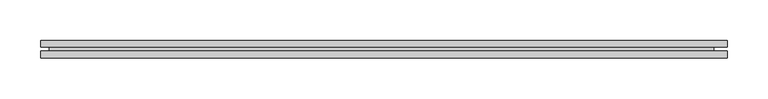
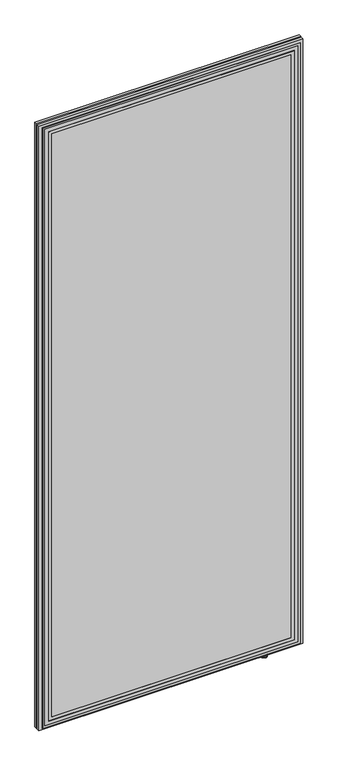
"""IFC4 building model written with IfcOpenShell, lengths in millimetres: furniture geometry."""

import ifcopenshell
import ifcopenshell.guid

model = None  # the IFC model being written
_history = None  # IfcOwnerHistory: only IFC2X3 demands one
_inside = {}  # id of a spatial element -> (the spatial element, [elements in it])
_under = {}  # id of a project, library or spatial element -> (it, [spatial elements below it])
_declared = {}  # id of a project -> (the project, [libraries it declares])
_typed = {}  # id of a type object -> (the type object, [elements of that type])
_made_of = {}  # id of a material, layer set ... -> (it, [elements and type objects made of it])


def new_model(schema):
    """Start an empty IFC model of exactly this schema.

    Asked for "IFC4X3", IfcOpenShell would pick the latest addendum, in which some entities
    have other attributes; the version numbers below select the first issue.
    IFC2X3 requires an IfcOwnerHistory on every rooted entity: one is made here for all.
    """
    global model, _history
    if schema == "IFC4X3":
        model = ifcopenshell.file(schema_version=(4, 3, 0, 0))
    else:
        model = ifcopenshell.file(schema=schema)
    _inside.clear()
    _under.clear()
    _declared.clear()
    _typed.clear()
    _made_of.clear()
    _history = None
    if model.schema == "IFC2X3":
        org = make("IfcOrganization", Name="unknown")
        user = make(
            "IfcPersonAndOrganization",
            ThePerson=make("IfcPerson", FamilyName="unknown"),
            TheOrganization=org,
        )
        app = make(
            "IfcApplication",
            ApplicationDeveloper=org,
            Version="unknown",
            ApplicationFullName="unknown",
            ApplicationIdentifier="unknown",
        )
        _history = make(
            "IfcOwnerHistory",
            OwningUser=user,
            OwningApplication=app,
            ChangeAction="ADDED",
            CreationDate=0,
        )
    return model


def make(cls, **values):
    """One entity of the class cls with the attributes given. An attribute that is None is left unset."""
    return model.create_entity(
        cls, **{name: value for name, value in values.items() if value is not None}
    )


def rooted(cls, **values):
    """An entity with a GlobalId (a new one), such as an element, a storey or a relation."""
    return make(cls, GlobalId=ifcopenshell.guid.new(), OwnerHistory=_history, **values)


def si_unit(unit_type, name, prefix=None):
    """IfcSIUnit, for example si_unit("LENGTHUNIT", "METRE", prefix="MILLI")."""
    return make("IfcSIUnit", UnitType=unit_type, Prefix=prefix, Name=name)


def assignment(units):
    """IfcUnitAssignment: the units of a project."""
    return None if units is None else make("IfcUnitAssignment", Units=units)


def point(xyz):
    """IfcCartesianPoint."""
    return None if xyz is None else make("IfcCartesianPoint", Coordinates=xyz)


def direction(xyz):
    """IfcDirection."""
    return None if xyz is None else make("IfcDirection", DirectionRatios=xyz)


def frame(location, z_axis=None, x_axis=None):
    """IfcAxis2Placement3D, a coordinate frame: its origin and axes. An axis left out is left unset."""
    return make(
        "IfcAxis2Placement3D",
        Location=point(location),
        Axis=direction(z_axis),
        RefDirection=direction(x_axis),
    )


def origin():
    """The frame at (0, 0, 0) with its axes left unset."""
    return frame((0.0, 0.0, 0.0))


def place(relative_to, where):
    """IfcLocalPlacement: puts the frame where relative to a parent placement (None: the world)."""
    return make(
        "IfcLocalPlacement", PlacementRelTo=relative_to, RelativePlacement=where
    )


def context(
    kind, dimensions, precision=None, world=None, true_north=None, identifier=None
):
    """IfcGeometricRepresentationContext, for example the 3D "Model" context."""
    return make(
        "IfcGeometricRepresentationContext",
        ContextIdentifier=identifier,
        ContextType=kind,
        CoordinateSpaceDimension=dimensions,
        Precision=precision,
        WorldCoordinateSystem=world,
        TrueNorth=true_north,
    )


def project(units=None, contexts=None):
    """IfcProject with its units and contexts."""
    return rooted(
        "IfcProject",
        Name="project",
        RepresentationContexts=contexts,
        UnitsInContext=assignment(units),
    )


def spatial(cls, under=None, at=None, **own):
    """A site, building, storey or space (cls), placed at a placement, below another one or the project."""
    s = rooted(cls, ObjectPlacement=at, **own)
    if under is not None:
        _under.setdefault(under.id(), (under, []))[1].append(s)
    return s


def polyline(points):
    """IfcPolyline through the points."""
    return make("IfcPolyline", Points=[point(p) for p in points])


def circle_curve(where, radius):
    """IfcCircle in the frame where."""
    return make("IfcCircle", Position=where, Radius=radius)


def ellipse_curve(where, semi_axis1, semi_axis2):
    """IfcEllipse in the frame where."""
    return make(
        "IfcEllipse", Position=where, SemiAxis1=semi_axis1, SemiAxis2=semi_axis2
    )


def trimmed(basis, trim1, trim2, sense, master):
    """IfcTrimmedCurve: the piece of a basis curve between two trims."""
    return make(
        "IfcTrimmedCurve",
        BasisCurve=basis,
        Trim1=trim1,
        Trim2=trim2,
        SenseAgreement=sense,
        MasterRepresentation=master,
    )


def outline(outer, holes=None, kind="AREA"):
    """IfcArbitraryClosedProfileDef: a profile drawn as a closed curve; with holes, ...WithVoids."""
    if holes is None:
        return make("IfcArbitraryClosedProfileDef", ProfileType=kind, OuterCurve=outer)
    return make(
        "IfcArbitraryProfileDefWithVoids",
        ProfileType=kind,
        OuterCurve=outer,
        InnerCurves=holes,
    )


def extrude(swept, where, along, depth):
    """IfcExtrudedAreaSolid: the profile swept, set in the frame where, extruded along a direction by depth."""
    return make(
        "IfcExtrudedAreaSolid",
        SweptArea=swept,
        Position=where,
        ExtrudedDirection=direction(along),
        Depth=depth,
    )


def faces_of(points, faces, orient=None, outer=None):
    """IfcFace entities. A face is a list of loops; a loop is a list of indices into points, from 0.

    orient and outer hold one flag for each loop. By default every Orientation is true, the
    first loop of a face is its IfcFaceOuterBound and the others are IfcFaceBound.
    """
    made = []
    for i, loops in enumerate(faces):
        bounds = []
        for j, loop in enumerate(loops):
            is_outer = j == 0 if outer is None else outer[i][j]
            bounds.append(
                make(
                    "IfcFaceOuterBound" if is_outer else "IfcFaceBound",
                    Bound=make("IfcPolyLoop", Polygon=[points[k] for k in loop]),
                    Orientation=True if orient is None else orient[i][j],
                )
            )
        made.append(make("IfcFace", Bounds=bounds))
    return made


def faceted_brep(points, faces, orient=None, outer=None, voids=None):
    """IfcFacetedBrep: a solid bounded by flat faces; with voids (closed shells), ...WithVoids."""
    shared = [point(p) for p in points]
    hull = make("IfcClosedShell", CfsFaces=faces_of(shared, faces, orient, outer))
    if voids is None:
        return make("IfcFacetedBrep", Outer=hull)
    return make(
        "IfcFacetedBrepWithVoids",
        Outer=hull,
        Voids=[
            make(cls, CfsFaces=faces_of(shared, fs, o, b)) for cls, fs, o, b in voids
        ],
    )


def shape(context_of_items, identifier, shape_type, items):
    """IfcShapeRepresentation: the items that make up one representation, for example the "Body"."""
    return make(
        "IfcShapeRepresentation",
        ContextOfItems=context_of_items,
        RepresentationIdentifier=identifier,
        RepresentationType=shape_type,
        Items=items,
    )


def source(mapping_origin, context_of_items, identifier, shape_type, items):
    """IfcRepresentationMap: a shape defined once, which mapped items show again and again."""
    return make(
        "IfcRepresentationMap",
        MappingOrigin=mapping_origin,
        MappedRepresentation=shape(context_of_items, identifier, shape_type, items),
    )


def transform(
    local_origin,
    x_axis=None,
    y_axis=None,
    z_axis=None,
    scale=None,
    scale2=None,
    scale3=None,
    uniform=True,
):
    """IfcCartesianTransformationOperator3D, or its non-uniform kind. x_axis, y_axis, z_axis: its Axis1, 2, 3."""
    if uniform:
        return make(
            "IfcCartesianTransformationOperator3D",
            Axis1=direction(x_axis),
            Axis2=direction(y_axis),
            LocalOrigin=point(local_origin),
            Scale=scale,
            Axis3=direction(z_axis),
        )
    return make(
        "IfcCartesianTransformationOperator3DnonUniform",
        Axis1=direction(x_axis),
        Axis2=direction(y_axis),
        LocalOrigin=point(local_origin),
        Scale=scale,
        Axis3=direction(z_axis),
        Scale2=scale2,
        Scale3=scale3,
    )


def mapped(mapping_source, mapping_target):
    """IfcMappedItem: shows the shape of a source again, moved by a transform."""
    return make(
        "IfcMappedItem", MappingSource=mapping_source, MappingTarget=mapping_target
    )


def made_of(thing, what):
    """Note that an element or type object is made of a material, layer set ...; save() writes the relation."""
    if what is not None:
        _made_of.setdefault(what.id(), (what, []))[1].append(thing)
    return thing


def element(
    cls,
    number,
    at=None,
    inside=None,
    cuts=None,
    type_object=None,
    material=None,
    context=None,
    identifier="Body",
    shape_type=None,
    held_by="IfcProductDefinitionShape",
    body=None,
    shapes=None,
    **own,
):
    """One element of the class cls, such as IfcWall. Its Tag is "e" and its number.

    at: its placement. inside: the storey or other place that contains it. cuts: it is an
    opening in that element (IfcRelVoidsElement). A single representation is given by context,
    identifier, shape_type and body (its items); several are given by shapes. held_by: the class
    of the entity that holds the representations. save() writes the other relations.
    """
    e = rooted(cls, Tag="e%d" % number, ObjectPlacement=at, **own)
    if body is not None:
        shapes = [shape(context, identifier, shape_type, body)]
    if shapes is not None:
        e.Representation = make(held_by, Representations=shapes)
    if inside is not None:
        _inside.setdefault(inside.id(), (inside, []))[1].append(e)
    if cuts is not None:
        rooted(
            "IfcRelVoidsElement", RelatingBuildingElement=cuts, RelatedOpeningElement=e
        )
    if type_object is not None:
        _typed.setdefault(type_object.id(), (type_object, []))[1].append(e)
    return made_of(e, material)


def aggregate(whole, parts):
    """IfcRelAggregates: a whole, such as a stair, and the parts it consists of."""
    return rooted("IfcRelAggregates", RelatingObject=whole, RelatedObjects=parts)


def save(model, path):
    """Write the relations noted so far, then the file.

    IfcRelAggregates (storeys below a building ...), IfcRelContainedInSpatialStructure (elements
    in a storey), IfcRelDefinesByType, IfcRelAssociatesMaterial and IfcRelDeclares: one each for
    every whole, place, type object, material and project.
    """
    for whole, parts in _under.values():
        aggregate(whole, parts)
    for where, things in _inside.values():
        rooted(
            "IfcRelContainedInSpatialStructure",
            RelatedElements=things,
            RelatingStructure=where,
        )
    for kind, things in _typed.values():
        rooted("IfcRelDefinesByType", RelatedObjects=things, RelatingType=kind)
    for what, things in _made_of.values():
        rooted("IfcRelAssociatesMaterial", RelatedObjects=things, RelatingMaterial=what)
    for by, libraries in _declared.values():
        rooted("IfcRelDeclares", RelatingContext=by, RelatedDefinitions=libraries)
    model.write(path)


def plane_surface(at):
    """IfcPlane: the flat surface through the origin of the frame at, square to its z axis."""
    return make("IfcPlane", Position=at)


def cylinder_surface(at, radius):
    """IfcCylindricalSurface: all points at the distance radius from the z axis of the frame at."""
    return make("IfcCylindricalSurface", Position=at, Radius=radius)


def revolved_surface(curve, axis_point, axis_direction):
    """IfcSurfaceOfRevolution: the curve turned about the line through axis_point along axis_direction."""
    return make(
        "IfcSurfaceOfRevolution",
        SweptCurve=make("IfcArbitraryOpenProfileDef", ProfileType="CURVE", Curve=curve),
        AxisPosition=make("IfcAxis1Placement", Location=point(axis_point), Axis=direction(axis_direction)),
    )


def advanced_brep(points, edges, surfaces, faces):
    """IfcAdvancedBrep: a solid bounded by faces that lie on surfaces and meet in shared edges.

    An edge is (start, end): straight between two places in points (the first is 0);
    or (start, end, curve); or (start, end, curve, False) where it runs against its curve.
    A face is (place in surfaces, loops), or (place, loops, False) where it looks against
    its surface's normal. A loop lists edges by number (the first is 1), with a minus sign
    where the edge is run from its end to its start. The first loop is the outer one.
    """
    corners = [point(p) for p in points]
    vertices = [make("IfcVertexPoint", VertexGeometry=c) for c in corners]
    made = []
    for start, end, *more in edges:
        made.append(
            make(
                "IfcEdgeCurve",
                EdgeStart=vertices[start],
                EdgeEnd=vertices[end],
                EdgeGeometry=more[0] if more else make("IfcPolyline", Points=[corners[start], corners[end]]),
                SameSense=more[1] if len(more) > 1 else True,
            )
        )
    hull = []
    for where, loops, *sense in faces:
        bounds = []
        for j, loop in enumerate(loops):
            ring = [make("IfcOrientedEdge", EdgeElement=made[abs(k) - 1], Orientation=k > 0) for k in loop]
            bounds.append(
                make(
                    "IfcFaceOuterBound" if j == 0 else "IfcFaceBound",
                    Bound=make("IfcEdgeLoop", EdgeList=ring),
                    Orientation=True,
                )
            )
        hull.append(make("IfcAdvancedFace", Bounds=bounds, FaceSurface=surfaces[where], SameSense=sense[0] if sense else True))
    return make("IfcAdvancedBrep", Outer=make("IfcClosedShell", CfsFaces=hull))


def furniture_53a687bd(model_context):
    return source(origin(), model_context, "Body", "SolidModel", [
        advanced_brep(
        [(271.626942, 44.4843749, -0.3015086), (253.1269448, 44.4843749, -0.3015086), (262.3769434, 44.4843749, -0.3015086), (272.3769417, 44.4843749, 0.448491), (252.3769452, 44.4843749, 0.448491), (272.3769417, 44.4843749, 4.4484915), (252.3769452, 44.4843749, 4.4484915), (271.626942, 44.4843749, 5.1984911), (253.1269448, 44.4843749, 5.1984911), (265.376942, 44.4843749, 5.1984911), (259.3769449, 44.4843749, 5.1984911), (265.376942, 44.4843749, 24.1984919), (259.3769449, 44.4843749, 24.1984919), (262.3769434, 44.4843749, 24.1984919)],
        [
            (0, 1, circle_curve(frame((262.3769434, 44.4843749, -0.3015086), z_axis=(0.0, 0.0, -1.0), x_axis=(-1.0, 0.0, 0.0)), 9.2499986)),
            (1, 2),
            (2, 0),
            (1, 0, circle_curve(frame((262.3769434, 44.4843749, -0.3015086), z_axis=(0.0, 0.0, -1.0), x_axis=(-1.0, 0.0, 0.0)), 9.2499986)),
            (3, 4, circle_curve(frame((262.3769434, 44.4843749, 0.448491), z_axis=(0.0, 0.0, -1.0), x_axis=(-1.0, 0.0, 0.0)), 9.9999983)),
            (4, 1, circle_curve(frame((253.1269448, 44.4843749, 0.448491), z_axis=(0.0, -1.0, 0.0), x_axis=(1.0, 0.0, 0.0)), 0.7499996)),
            (0, 3, circle_curve(frame((271.626942, 44.4843749, 0.448491), z_axis=(0.0, -1.0, 0.0), x_axis=(-1.0, 0.0, 0.0)), 0.7499996)),
            (4, 3, circle_curve(frame((262.3769434, 44.4843749, 0.448491), z_axis=(0.0, 0.0, -1.0), x_axis=(-1.0, 0.0, 0.0)), 9.9999983)),
            (5, 6, circle_curve(frame((262.3769434, 44.4843749, 4.4484915), z_axis=(0.0, 0.0, -1.0), x_axis=(-1.0, 0.0, 0.0)), 9.9999983)),
            (6, 4),
            (3, 5),
            (6, 5, circle_curve(frame((262.3769434, 44.4843749, 4.4484915), z_axis=(0.0, 0.0, -1.0), x_axis=(-1.0, 0.0, 0.0)), 9.9999983)),
            (7, 8, circle_curve(frame((262.3769434, 44.4843749, 5.1984911), z_axis=(0.0, 0.0, -1.0), x_axis=(-1.0, 0.0, 0.0)), 9.2499986)),
            (8, 6, circle_curve(frame((253.1269448, 44.4843749, 4.4484915), z_axis=(0.0, -1.0, 0.0), x_axis=(1.0, 0.0, 0.0)), 0.7499996)),
            (5, 7, circle_curve(frame((271.626942, 44.4843749, 4.4484915), z_axis=(0.0, -1.0, 0.0), x_axis=(-1.0, 0.0, 0.0)), 0.7499996)),
            (8, 7, circle_curve(frame((262.3769434, 44.4843749, 5.1984911), z_axis=(0.0, 0.0, -1.0), x_axis=(-1.0, 0.0, 0.0)), 9.2499986)),
            (9, 10, circle_curve(frame((262.3769434, 44.4843749, 5.1984911), z_axis=(0.0, 0.0, -1.0), x_axis=(-1.0, 0.0, 0.0)), 2.9999986)),
            (10, 8),
            (7, 9),
            (10, 9, circle_curve(frame((262.3769434, 44.4843749, 5.1984911), z_axis=(0.0, 0.0, -1.0), x_axis=(-1.0, 0.0, 0.0)), 2.9999986)),
            (11, 12, circle_curve(frame((262.3769434, 44.4843749, 24.1984919), z_axis=(0.0, 0.0, -1.0), x_axis=(-1.0, 0.0, 0.0)), 2.9999986)),
            (12, 10),
            (9, 11),
            (12, 11, circle_curve(frame((262.3769434, 44.4843749, 24.1984919), z_axis=(0.0, 0.0, -1.0), x_axis=(-1.0, 0.0, 0.0)), 2.9999986)),
            (13, 12),
            (11, 13),
        ],
        [
            plane_surface(frame((262.3769434, 44.4843749, -0.3015086), z_axis=(0.0, 0.0, -1.0), x_axis=(-1.0, 0.0, 0.0))),
            revolved_surface(trimmed(ellipse_curve(frame((253.1269448, 44.4843749, 0.448491), z_axis=(0.0, 1.0, 0.0), x_axis=(1.0, 0.0, 0.0)), 0.7499996, 0.7499996), [point((253.1269448, 44.4843749, -0.3015086))], [point((252.3769452, 44.4843749, 0.448491))], True, "CARTESIAN"), (262.3769434, 44.4843749, 24.1984919), (0.0, 0.0, 1.0)),
            cylinder_surface(frame((262.3769434, 44.4843749, 24.1984919), z_axis=(0.0, 0.0, 1.0), x_axis=(-1.0, 0.0, 0.0)), 9.9999983),
            revolved_surface(trimmed(ellipse_curve(frame((253.1269448, 44.4843749, 4.4484915), z_axis=(0.0, 1.0, 0.0), x_axis=(1.0, 0.0, 0.0)), 0.7499996, 0.7499996), [point((252.3769452, 44.4843749, 4.4484915))], [point((253.1269448, 44.4843749, 5.1984911))], True, "CARTESIAN"), (262.3769434, 44.4843749, 24.1984919), (0.0, 0.0, 1.0)),
            plane_surface(frame((262.3769434, 44.4843749, 5.1984911), z_axis=(0.0, 0.0, 1.0), x_axis=(-1.0, 0.0, 0.0))),
            cylinder_surface(frame((262.3769434, 44.4843749, 24.1984919), z_axis=(0.0, 0.0, 1.0), x_axis=(-1.0, 0.0, 0.0)), 2.9999986),
            plane_surface(frame((262.3769434, 44.4843749, 24.1984919), z_axis=(0.0, 0.0, 1.0), x_axis=(-1.0, 0.0, 0.0))),
        ],
        [
            (0, [[1, 2, 3]]),
            (0, [[4, -3, -2]]),
            (1, [[5, 6, -1, 7]]),
            (1, [[8, -7, -4, -6]]),
            (2, [[9, 10, -5, 11]]),
            (2, [[12, -11, -8, -10]]),
            (3, [[13, 14, -9, 15]]),
            (3, [[16, -15, -12, -14]]),
            (4, [[17, 18, -13, 19]]),
            (4, [[20, -19, -16, -18]]),
            (5, [[21, 22, -17, 23]]),
            (5, [[24, -23, -20, -22]]),
            (6, [[25, -21, 26]]),
            (6, [[-26, -24, -25]]),
        ],
    ),
        faceted_brep([(-459.4466805, 41.9999999, 2039.8382812), (-459.4466805, 33.9328125, 2039.8382812), (380.539257, 33.9328125, 2039.8382812), (380.539257, 41.9999999, 2039.8382812), (-459.4466805, 41.9999999, 8.0000232), (380.539257, 41.9999999, 8.0000232), (380.539257, 33.9328125, 8.0000232), (-459.4466805, 33.9328125, 8.0000232), (372.3967848, 33.9328125, 9.7609912), (-447.6032064, 33.9328125, 9.7609912), (-447.6032064, 33.9328125, 2029.7609894), (372.3967848, 33.9328125, 2029.7609894), (364.5432319, 33.9328125, 2021.907399), (-439.7496887, 33.9328125, 2021.907399), (-439.7496887, 33.9328125, 17.6145453), (364.5432319, 33.9328125, 17.6145453), (352.896785, 33.9328125, 2010.2610168), (352.896785, 33.9328125, 29.260991), (-428.1032339, 33.9328125, 29.260991), (-428.1032339, 33.9328125, 2010.2610168), (371.8967858, 33.9328125, 10.2609914), (371.8967858, 33.9328125, 2029.2610199), (-447.103237, 33.9328125, 2029.2610199), (-447.103237, 33.9328125, 10.2609914), (-439.9118881, 33.9328125, 2022.0695984), (364.7054438, 33.9328125, 2022.0695984), (364.7054438, 33.9328125, 17.4523323), (-439.9118881, 33.9328125, 17.4523323), (352.396786, 33.9328125, 2009.7610474), (-427.6031918, 33.9328125, 2009.7610474), (-427.6031918, 33.9328125, 29.7609923), (352.396786, 33.9328125, 29.7609923), (342.3967832, 33.9328125, 1999.760931), (342.3967832, 33.9328125, 39.7609905), (-417.6032208, 33.9328125, 39.7609905), (-417.6032208, 33.9328125, 1999.760931), (-439.9118881, 38.9500002, 2022.0695984), (-439.9118881, 38.9500002, 17.4523323), (364.7054438, 38.9500002, 17.4523323), (364.7054438, 38.9500002, 2022.0695984), (364.5432319, 38.9500002, 2021.907399), (364.5432319, 38.9500002, 17.6145453), (-439.7496887, 38.9500002, 17.6145453), (-439.7496887, 38.9500002, 2021.907399), (372.3967848, 38.9500002, 9.7609912), (372.3967848, 38.9500002, 2029.7609894), (-447.6032064, 38.9500002, 2029.7609894), (-447.6032064, 38.9500002, 9.7609912), (371.8967858, 38.9500002, 10.2609914), (-447.103237, 38.9500002, 10.2609914), (-447.103237, 38.9500002, 2029.2610199), (371.8967858, 38.9500002, 2029.2610199), (342.3967832, 34.2586583, 1999.760931), (-417.6032208, 34.2586583, 1999.760931), (-417.6032208, 34.2586583, 39.7609905), (342.3967832, 34.2586583, 39.7609905), (352.896785, 34.2586583, 2010.2610168), (-428.1032339, 34.2586583, 2010.2610168), (-428.1032339, 34.2586583, 29.260991), (352.896785, 34.2586583, 29.260991), (352.396786, 34.2586583, 2009.7610474), (352.396786, 34.2586583, 29.7609923), (-427.6031918, 34.2586583, 29.7609923), (-427.6031918, 34.2586583, 2009.7610474)], [[[0, 1, 2, 3]], [[4, 5, 6, 7]], [[0, 3, 5, 4]], [[3, 2, 6, 5]], [[2, 1, 7, 6], [8, 9, 10, 11]], [[12, 13, 14, 15], [16, 17, 18, 19]], [[20, 21, 22, 23], [24, 25, 26, 27]], [[28, 29, 30, 31], [32, 33, 34, 35]], [[1, 0, 4, 7]], [[36, 37, 38, 39], [40, 41, 42, 43]], [[44, 45, 46, 47], [48, 49, 50, 51]], [[40, 43, 13, 12]], [[43, 42, 14, 13]], [[42, 41, 15, 14]], [[41, 40, 12, 15]], [[36, 39, 25, 24]], [[39, 38, 26, 25]], [[38, 37, 27, 26]], [[37, 36, 24, 27]], [[44, 47, 9, 8]], [[47, 46, 10, 9]], [[46, 45, 11, 10]], [[45, 44, 8, 11]], [[48, 51, 21, 20]], [[51, 50, 22, 21]], [[50, 49, 23, 22]], [[49, 48, 20, 23]], [[52, 53, 54, 55]], [[56, 57, 58, 59], [60, 61, 62, 63]], [[52, 55, 33, 32]], [[55, 54, 34, 33]], [[54, 53, 35, 34]], [[53, 52, 32, 35]], [[56, 59, 17, 16]], [[59, 58, 18, 17]], [[58, 57, 19, 18]], [[57, 56, 16, 19]], [[60, 63, 29, 28]], [[63, 62, 30, 29]], [[62, 61, 31, 30]], [[61, 60, 28, 31]]]),
        faceted_brep([(-459.4466805, 46.9000001, 2039.8382812), (380.539257, 46.9000001, 2039.8382812), (380.539257, 54.9671875, 2039.8382812), (-459.4466805, 54.9671875, 2039.8382812), (-459.4466805, 46.9000001, 8.0000232), (-459.4466805, 54.9671875, 8.0000232), (380.539257, 54.9671875, 8.0000232), (380.539257, 46.9000001, 8.0000232), (-447.6032064, 54.9671875, 9.7609912), (372.3967848, 54.9671875, 9.7609912), (372.3967848, 54.9671875, 2029.7609894), (-447.6032064, 54.9671875, 2029.7609894), (-427.6031918, 54.9671875, 2009.7610474), (352.396786, 54.9671875, 2009.7610474), (352.396786, 54.9671875, 29.7609923), (-427.6031918, 54.9671875, 29.7609923), (342.3967832, 54.9671875, 39.7609905), (342.3967832, 54.9671875, 1999.760931), (-417.6032208, 54.9671875, 1999.760931), (-417.6032208, 54.9671875, 39.7609905), (-439.7496887, 54.9671875, 2021.907399), (364.5432319, 54.9671875, 2021.907399), (364.5432319, 54.9671875, 17.6145453), (-439.7496887, 54.9671875, 17.6145453), (352.896785, 54.9671875, 29.260991), (352.896785, 54.9671875, 2010.2610168), (-428.1032339, 54.9671875, 2010.2610168), (-428.1032339, 54.9671875, 29.260991), (371.8967858, 54.9671875, 2029.2610199), (371.8967858, 54.9671875, 10.2609914), (-447.103237, 54.9671875, 10.2609914), (-447.103237, 54.9671875, 2029.2610199), (364.7054438, 54.9671875, 2022.0695984), (-439.9118881, 54.9671875, 2022.0695984), (-439.9118881, 54.9671875, 17.4523323), (364.7054438, 54.9671875, 17.4523323), (342.3967832, 54.6413417, 1999.760931), (342.3967832, 54.6413417, 39.7609905), (-417.6032208, 54.6413417, 39.7609905), (-417.6032208, 54.6413417, 1999.760931), (352.896785, 54.6413417, 2010.2610168), (352.896785, 54.6413417, 29.260991), (-428.1032339, 54.6413417, 29.260991), (-428.1032339, 54.6413417, 2010.2610168), (352.396786, 54.6413417, 2009.7610474), (-427.6031918, 54.6413417, 2009.7610474), (-427.6031918, 54.6413417, 29.7609923), (352.396786, 54.6413417, 29.7609923), (-439.9118881, 49.9499998, 2022.0695984), (364.7054438, 49.9499998, 2022.0695984), (364.7054438, 49.9499998, 17.4523323), (-439.9118881, 49.9499998, 17.4523323), (364.5432319, 49.9499998, 2021.907399), (-439.7496887, 49.9499998, 2021.907399), (-439.7496887, 49.9499998, 17.6145453), (364.5432319, 49.9499998, 17.6145453), (372.3967848, 49.9499998, 9.7609912), (-447.6032064, 49.9499998, 9.7609912), (-447.6032064, 49.9499998, 2029.7609894), (372.3967848, 49.9499998, 2029.7609894), (371.8967858, 49.9499998, 10.2609914), (371.8967858, 49.9499998, 2029.2610199), (-447.103237, 49.9499998, 2029.2610199), (-447.103237, 49.9499998, 10.2609914)], [[[0, 1, 2, 3]], [[4, 5, 6, 7]], [[1, 0, 4, 7]], [[2, 1, 7, 6]], [[3, 2, 6, 5], [8, 9, 10, 11]], [[12, 13, 14, 15], [16, 17, 18, 19]], [[20, 21, 22, 23], [24, 25, 26, 27]], [[28, 29, 30, 31], [32, 33, 34, 35]], [[0, 3, 5, 4]], [[36, 37, 38, 39]], [[40, 41, 42, 43], [44, 45, 46, 47]], [[37, 36, 17, 16]], [[38, 37, 16, 19]], [[39, 38, 19, 18]], [[36, 39, 18, 17]], [[41, 40, 25, 24]], [[42, 41, 24, 27]], [[43, 42, 27, 26]], [[40, 43, 26, 25]], [[45, 44, 13, 12]], [[46, 45, 12, 15]], [[47, 46, 15, 14]], [[44, 47, 14, 13]], [[48, 49, 50, 51], [52, 53, 54, 55]], [[56, 57, 58, 59], [60, 61, 62, 63]], [[53, 52, 21, 20]], [[54, 53, 20, 23]], [[55, 54, 23, 22]], [[52, 55, 22, 21]], [[49, 48, 33, 32]], [[50, 49, 32, 35]], [[51, 50, 35, 34]], [[48, 51, 34, 33]], [[57, 56, 9, 8]], [[58, 57, 8, 11]], [[59, 58, 11, 10]], [[56, 59, 10, 9]], [[61, 60, 29, 28]], [[62, 61, 28, 31]], [[63, 62, 31, 30]], [[60, 63, 30, 29]]]),
        extrude(outline(polyline([(364.3967849, 46.9000001), (364.3967849, 41.9999999), (-449.0814373, 41.9999999), (-449.0814373, 46.9000001), (364.3967849, 46.9000001)])), frame((0.0, 0.0, 8.0000232), z_axis=(0.0, 0.0, 1.0), x_axis=(1.0, 0.0, 0.0)), (0.0, 0.0, 1.0), 2022.0000504),
    ])


if __name__ == "__main__":
    model = new_model("IFC4")
    model_context = context("Model", 3, world=origin())
    ifc_project = project(units=[si_unit("LENGTHUNIT", "METRE", prefix="MILLI")], contexts=[model_context])
    site = spatial("IfcSite", under=ifc_project)
    building = spatial("IfcBuilding", under=site)
    placement = place(None, origin())
    furniture_shape = furniture_53a687bd(model_context)
    element("IfcFurniture", 1, at=placement, inside=building, context=model_context, shape_type="MappedRepresentation", body=[
        mapped(furniture_shape, transform((0.0, 0.0, 0.0), x_axis=(1.0, 0.0, 0.0), y_axis=(0.0, 1.0, 0.0), z_axis=(0.0, 0.0, 1.0))),
    ])
    save(model, "model.ifc")
